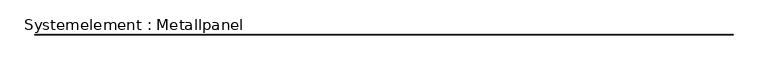
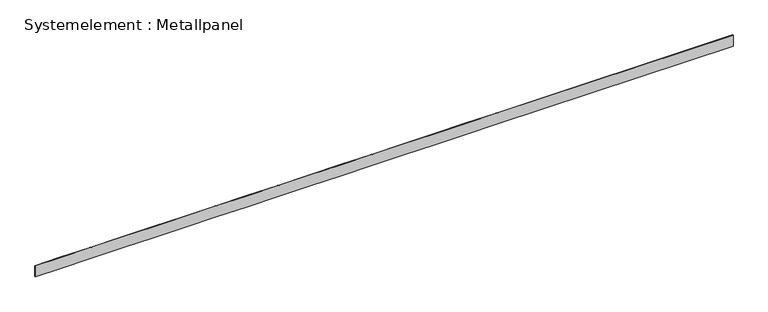
"""IFC4 building model written with IfcOpenShell, lengths in millimetres: plate geometry, Systemelement : Metallpanel."""

from ifc_helpers import new_model, si_unit, frame, origin, place, context, project, spatial, polyline, outline, extrude, source, transform, mapped, element, save


def systemelement_metallpanel_d6accff4(model_context):
    return source(origin(), model_context, "Body", "SweptSolid", [
        extrude(outline(polyline([(0.0, 7219.5236297), (0.0, 22354.5236297), (745.0, 22354.5236297), (745.0, 7219.5236297), (745.0, 5219.5236297), (745.0, 3219.5236297), (745.0, 1219.5236297), (745.0, -780.4763703), (745.0, -2780.4763703), (745.0, -4780.4763703), (745.0, -6780.4763703), (745.0, -8780.4763703), (745.0, -10780.4763703), (745.0, -12780.4763703), (745.0, -14780.4763703), (745.0, -16780.4763703), (745.0, -18780.4763703), (745.0, -20780.4763703), (745.0, -22354.5236297), (5.0, -22354.5236297), (5.0, -20780.4763703), (5.0, -18780.4763703), (5.0, -16780.4763703), (5.0, -14780.4763703), (5.0, -12780.4763703), (5.0, -10780.4763703), (5.0, -8780.4763703), (5.0, -6780.4763703), (5.0, -4780.4763703), (5.0, -2780.4763703), (5.0, -780.4763703), (5.0, 1219.5236297), (5.0, 3219.5236297), (5.0, 5219.5236297), (5.0, 7219.5236297), (0.0, 7219.5236297)])), frame((0.0, -15.0, 0.0), z_axis=(0.0, 1.0, 0.0), x_axis=(0.0, 0.0, 1.0)), (0.0, 0.0, 1.0), 30.0),
    ])


if __name__ == "__main__":
    model = new_model("IFC4")
    model_context = context("Model", 3, world=origin())
    ifc_project = project(units=[si_unit("LENGTHUNIT", "METRE", prefix="MILLI")], contexts=[model_context])
    site = spatial("IfcSite", under=ifc_project)
    building = spatial("IfcBuilding", under=site)
    placement = place(None, origin())
    systemelement_metallpanel_shape = systemelement_metallpanel_d6accff4(model_context)
    element("IfcPlate", 1, ObjectType="Systemelement : Metallpanel", at=placement, inside=building, context=model_context, shape_type="MappedRepresentation", body=[
        mapped(systemelement_metallpanel_shape, transform((0.0, 0.0, 0.0), x_axis=(1.0, 0.0, 0.0), y_axis=(0.0, 1.0, 0.0), z_axis=(0.0, 0.0, 1.0))),
    ])
    save(model, "model.ifc")
